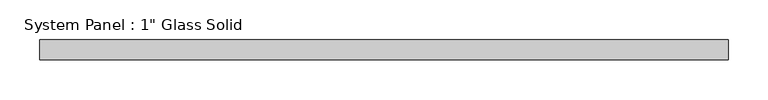
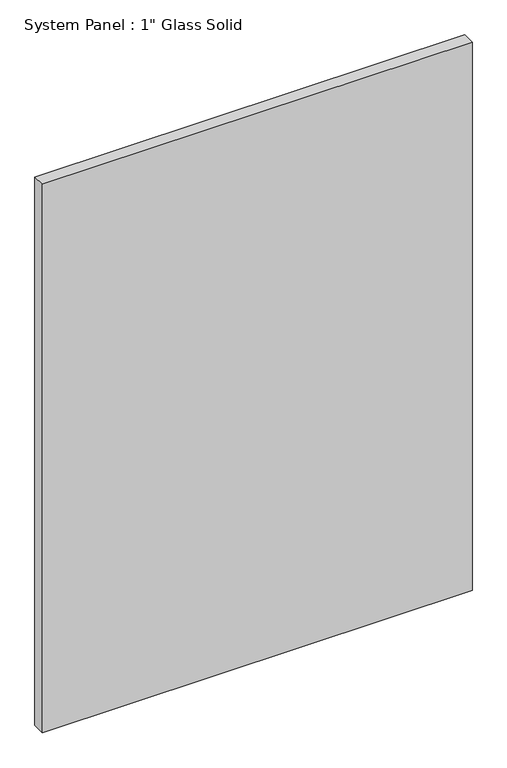
"""IFC4 building model written with IfcOpenShell, lengths in millimetres: plate geometry."""

from ifc_helpers import new_model, si_unit, origin, origin_with_axes, place, context, project, spatial, polyline, outline, extrude, source, transform, mapped, element, save


def plate_7137ce6f(model_context):
    return source(origin(), model_context, "Body", "SweptSolid", [
        extrude(outline(polyline([(433.3883852, -12.7), (-433.3883852, -12.7), (-433.3883852, 12.7), (433.3883852, 12.7), (433.3883852, -12.7)])), origin_with_axes(), (0.0, 0.0, 1.0), 1169.5594027),
    ])


if __name__ == "__main__":
    model = new_model("IFC4")
    model_context = context("Model", 3, world=origin())
    ifc_project = project(units=[si_unit("LENGTHUNIT", "METRE", prefix="MILLI")], contexts=[model_context])
    site = spatial("IfcSite", under=ifc_project)
    building = spatial("IfcBuilding", under=site)
    placement = place(None, origin())
    plate_shape = plate_7137ce6f(model_context)
    element("IfcPlate", 1, ObjectType="System Panel : 1\" Glass Solid", at=placement, inside=building, context=model_context, shape_type="MappedRepresentation", body=[
        mapped(plate_shape, transform((0.0, 0.0, 0.0), x_axis=(1.0, 0.0, 0.0), y_axis=(0.0, 1.0, 0.0), z_axis=(0.0, 0.0, 1.0))),
    ])
    save(model, "model.ifc")
